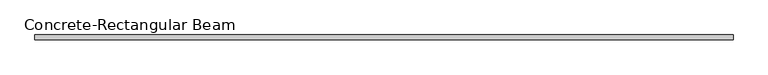
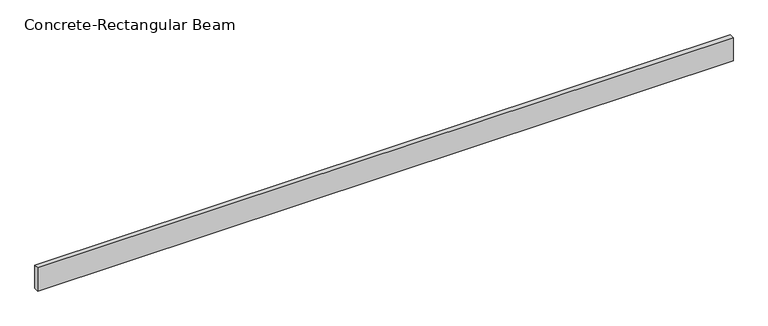
"""IFC4 building model written with IfcOpenShell, lengths in millimetres: beam geometry, Concrete-Rectangular Beam."""

from ifc_helpers import new_model, si_unit, frame, origin, place, context, project, spatial, polyline, outline, extrude, source, transform, mapped, element, save


def concrete_rectangular_beam_2f18e21f(model_context):
    return source(origin(), model_context, "Body", "SweptSolid", [
        extrude(outline(polyline([(3562.2014752, 25.0), (3562.2014752, -25.0), (-3562.2014752, -25.0), (-3562.2014752, 25.0), (3562.2014752, 25.0)])), frame((0.0, 0.0, -125.0), z_axis=(0.0, 0.0, 1.0), x_axis=(1.0, 0.0, 0.0)), (0.0, 0.0, 1.0), 250.0),
    ])


if __name__ == "__main__":
    model = new_model("IFC4")
    model_context = context("Model", 3, world=origin())
    ifc_project = project(units=[si_unit("LENGTHUNIT", "METRE", prefix="MILLI")], contexts=[model_context])
    site = spatial("IfcSite", under=ifc_project)
    building = spatial("IfcBuilding", under=site)
    placement = place(None, origin())
    concrete_rectangular_beam_shape = concrete_rectangular_beam_2f18e21f(model_context)
    element("IfcBeam", 1, ObjectType="Concrete-Rectangular Beam", at=placement, inside=building, context=model_context, shape_type="MappedRepresentation", body=[
        mapped(concrete_rectangular_beam_shape, transform((0.0, 0.0, 0.0), x_axis=(1.0, 0.0, 0.0), y_axis=(0.0, 1.0, 0.0), z_axis=(0.0, 0.0, 1.0))),
    ])
    save(model, "model.ifc")
